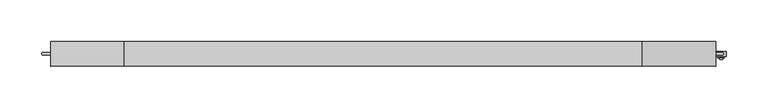
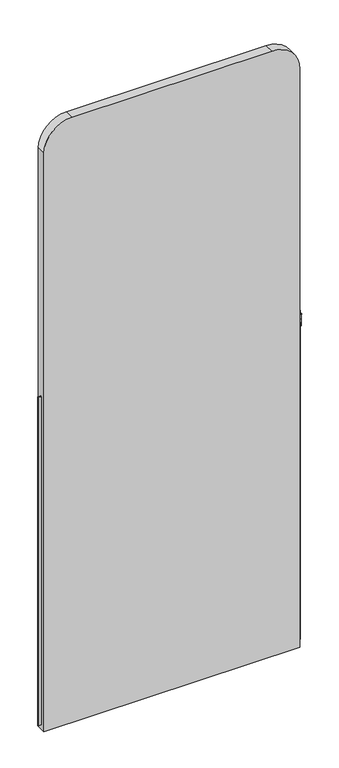
"""IFC4 building model written with IfcOpenShell, lengths in millimetres: furniture geometry."""

from ifc_helpers import new_model, si_unit, point, frame, frame_2d, origin, place, context, project, spatial, polyline, circle_curve, trimmed, segment, composite_curve, outline, extrude, source, transform, mapped, element, save
from ifc_brep_helpers import plane_surface, cylinder_surface, revolved_surface, advanced_brep


def furniture_e244c277(model_context):
    return source(origin(), model_context, "Body", "SolidModel", [
        extrude(outline(composite_curve([segment(polyline([(770.5267621, 45.3925781), (762.8932891, 45.3925781)]), True, "CONTINUOUS"), segment(trimmed(circle_curve(frame_2d((762.8932891, 46.9801212)), 1.5875431), [point((762.8932891, 45.3925781))], [point((762.0995175, 45.6052685))], False, "CARTESIAN"), True, "CONTINUOUS"), segment(trimmed(circle_curve(frame_2d((761.3058479, 46.9801212)), 1.5874921), [point((762.0995175, 45.6052685))], [point((762.0995175, 48.3549738))], False, "CARTESIAN"), True, "CONTINUOUS"), segment(trimmed(circle_curve(frame_2d((762.8932891, 46.9794781)), 1.5881), [point((762.0995175, 48.3549738))], [point((762.8932891, 48.5675782))], False, "CARTESIAN"), True, "CONTINUOUS"), segment(polyline([(762.8932891, 48.5675782), (770.5267621, 48.5675782), (770.5267621, 45.3925781)]), True, "CONTINUOUS")], self_intersect=False)), frame((0.0, 0.0, 14.9999997), z_axis=(0.0, 0.0, 1.0), x_axis=(1.0, 0.0, 0.0)), (0.0, 0.0, 1.0), 1085.0382816),
        extrude(outline(composite_curve([segment(polyline([(1568.9732363, 45.3925781), (1568.9732363, 48.5675782), (1576.6067094, 48.5675782)]), True, "CONTINUOUS"), segment(trimmed(circle_curve(frame_2d((1576.6067094, 46.9794781)), 1.5881), [point((1576.6067094, 48.5675782))], [point((1577.4004809, 48.3549738))], False, "CARTESIAN"), True, "CONTINUOUS"), segment(trimmed(circle_curve(frame_2d((1578.1941505, 46.9801212)), 1.5874921), [point((1577.4004809, 48.3549738))], [point((1577.4004809, 45.6052685))], False, "CARTESIAN"), True, "CONTINUOUS"), segment(trimmed(circle_curve(frame_2d((1576.6067094, 46.9801212)), 1.5875431), [point((1577.4004809, 45.6052685))], [point((1576.6067094, 45.3925781))], False, "CARTESIAN"), True, "CONTINUOUS"), segment(polyline([(1576.6067094, 45.3925781), (1568.9732363, 45.3925781)]), True, "CONTINUOUS")], self_intersect=False)), frame((0.0, 0.0, 14.9999997), z_axis=(0.0, 0.0, 1.0), x_axis=(1.0, 0.0, 0.0)), (0.0, 0.0, 1.0), 1085.0382816),
        advanced_brep(
        [(1578.9084311, 39.995078, 1091.0971197), (1578.9084311, 39.995078, 1077.1731621), (1578.9084311, 42.1805846, 1077.1731621), (1578.9084311, 42.1805846, 1084.1582009), (1578.9084311, 43.556459, 1084.1582009), (1578.9084311, 43.556459, 1077.1731621), (1578.9084311, 43.805078, 1077.1731621), (1578.9084311, 43.805078, 1092.7684653), (1578.9084311, 43.805078, 1093.0482106), (1578.9084311, 41.9461688, 1093.0482106), (1575.1405713, 39.995078, 1091.0971197), (1575.1405713, 41.9461688, 1093.0482106), (1575.1405713, 43.805078, 1093.0482106), (1575.1405713, 43.805078, 1092.77998), (1575.1405713, 43.805078, 1077.1731621), (1575.1405713, 43.556459, 1077.1731621), (1575.1405713, 43.556459, 1084.1582009), (1575.1405713, 42.1805846, 1084.1582009), (1575.1405713, 42.1805846, 1077.1731621), (1575.1405713, 39.995078, 1077.1731621), (1573.8285844, 50.1550782, 1077.1731621), (1580.1786328, 50.1550782, 1077.1731621), (1580.1786328, 43.805078, 1077.1731621), (1573.8285844, 43.805078, 1077.1731621), (1573.7778607, 50.1550782, 1078.7299711), (1570.6261715, 50.1550782, 1089.0386821), (1583.3810457, 50.1550782, 1089.0386821), (1580.2293564, 50.1550782, 1078.7299711), (1580.2293564, 43.805078, 1078.7299711), (1583.3810457, 43.805078, 1089.0386821), (1570.6261715, 43.805078, 1089.0386821), (1573.7778607, 43.805078, 1078.7299711), (1580.841383, 43.556459, 1051.7731863), (1573.1658341, 43.556459, 1051.7731863), (1573.1658341, 43.556459, 1084.1582009), (1580.841383, 43.556459, 1084.1582009), (1579.1120555, 43.556459, 1053.3606621), (1578.282891, 43.556459, 1062.6385115), (1575.7243262, 43.556459, 1062.6385115), (1574.8951617, 43.556459, 1053.3606621), (1580.841383, 42.1805846, 1051.7731863), (1580.841383, 42.1805846, 1084.1582009), (1573.1658341, 42.1805846, 1084.1582009), (1573.1658341, 42.1805846, 1051.7731863), (1579.1120555, 42.1805846, 1053.3606621), (1574.8951617, 42.1805846, 1053.3606621), (1575.7243262, 42.1805846, 1062.6385115), (1578.282891, 42.1805846, 1062.6385115)],
        [
            (0, 1),
            (1, 2),
            (2, 3),
            (3, 4),
            (4, 5),
            (5, 6),
            (6, 7),
            (7, 8),
            (8, 9),
            (9, 0, circle_curve(frame((1578.9084311, 41.9461688, 1091.0971197), z_axis=(1.0, 0.0, 0.0), x_axis=(0.0, 1.0, 0.0)), 1.9510909)),
            (10, 11, circle_curve(frame((1575.1405713, 41.9461688, 1091.0971197), z_axis=(-1.0, 0.0, 0.0), x_axis=(0.0, 1.0, 0.0)), 1.9510909)),
            (11, 12),
            (12, 13),
            (13, 14),
            (14, 15),
            (15, 16),
            (16, 17),
            (17, 18),
            (18, 19),
            (19, 10),
            (0, 10),
            (19, 1),
            (18, 2),
            (20, 21),
            (21, 22),
            (22, 6),
            (5, 15),
            (14, 23),
            (23, 20),
            (9, 11),
            (20, 24),
            (24, 25, circle_curve(frame((1553.1439135, 50.1550782, 1078.0576799), z_axis=(0.0, -1.0, 0.0), x_axis=(-1.0, 0.0, 0.0)), 20.6448966)),
            (25, 26, circle_curve(frame((1577.0036086, 50.1550782, 1085.937688), z_axis=(0.0, 1.0, 0.0), x_axis=(-1.0, 0.0, 0.0)), 7.091394)),
            (26, 27, circle_curve(frame((1600.8633037, 50.1550782, 1078.0576799), z_axis=(0.0, -1.0, 0.0), x_axis=(-1.0, 0.0, 0.0)), 20.6448966)),
            (27, 21),
            (22, 28),
            (28, 29, circle_curve(frame((1600.8633037, 43.805078, 1078.0576799), z_axis=(0.0, 1.0, 0.0), x_axis=(-1.0, 0.0, 0.0)), 20.6448966)),
            (29, 7, circle_curve(frame((1577.0036086, 43.805078, 1085.937688), z_axis=(0.0, -1.0, 0.0), x_axis=(-1.0, 0.0, 0.0)), 7.091394)),
            (30, 31, circle_curve(frame((1553.1439135, 43.805078, 1078.0576799), z_axis=(0.0, 1.0, 0.0), x_axis=(-1.0, 0.0, 0.0)), 20.6448966)),
            (31, 23),
            (13, 30, circle_curve(frame((1577.0036086, 43.805078, 1085.937688), z_axis=(0.0, -1.0, 0.0), x_axis=(-1.0, 0.0, 0.0)), 7.091394)),
            (31, 24),
            (30, 25),
            (13, 7, circle_curve(frame((1577.0036086, 43.805078, 1085.937688), z_axis=(0.0, 1.0, 0.0), x_axis=(-1.0, 0.0, 0.0)), 7.091394)),
            (29, 26),
            (28, 27),
            (32, 33),
            (33, 34),
            (34, 16),
            (4, 35),
            (35, 32),
            (36, 37),
            (37, 38),
            (38, 39),
            (39, 36),
            (40, 41),
            (41, 3),
            (17, 42),
            (42, 43),
            (43, 40),
            (44, 45),
            (45, 46),
            (46, 47),
            (47, 44),
            (32, 40),
            (43, 33),
            (42, 34),
            (41, 35),
            (36, 44),
            (47, 37),
            (46, 38),
            (45, 39),
            (12, 8),
        ],
        [
            plane_surface(frame((1578.9084311, 39.995078, 1077.1731621), z_axis=(1.0, 0.0, 0.0), x_axis=(0.0, 0.0, -1.0))),
            plane_surface(frame((1575.1405713, 39.995078, 1077.1731621), z_axis=(-1.0, 0.0, 0.0), x_axis=(0.0, 0.0, 1.0))),
            plane_surface(frame((1578.9084311, 39.995078, 1091.0971197), z_axis=(0.0, -1.0, 0.0), x_axis=(-1.0, 0.0, 0.0))),
            plane_surface(frame((1578.9084311, 39.995078, 1077.1731621), z_axis=(0.0, 0.0, -1.0), x_axis=(-1.0, 0.0, 0.0))),
            cylinder_surface(frame((1575.1405713, 41.9461688, 1091.0971197), z_axis=(1.0, 0.0, 0.0), x_axis=(0.0, 1.0, 0.0)), 1.9510909),
            plane_surface(frame((1573.8285844, 50.1550782, 1077.1731621), z_axis=(0.0, 1.0, 0.0), x_axis=(-1.0, 0.0, 0.0))),
            plane_surface(frame((1573.8285844, 43.805078, 1077.1731621), z_axis=(0.0, -1.0, 0.0), x_axis=(1.0, 0.0, 0.0))),
            plane_surface(frame((1573.8285844, 50.1550782, 1077.1731621), z_axis=(-0.9994696352331659, 0.0, -0.03256452436137249), x_axis=(0.0, -1.0, 0.0))),
            revolved_surface(polyline([(1532.4990169, 43.805078, 1078.0576799), (1532.4990169, 50.1550782, 1078.0576799)]), (1553.1439135, 43.805078, 1078.0576799), (0.0, -1.0, 0.0)),
            cylinder_surface(frame((1577.0036086, 43.805078, 1085.937688), z_axis=(0.0, 1.0, 0.0), x_axis=(-1.0, 0.0, 0.0)), 7.091394),
            revolved_surface(polyline([(1580.2184071, 43.805078, 1078.0576799), (1580.2184071, 50.1550782, 1078.0576799)]), (1600.8633037, 43.805078, 1078.0576799), (0.0, -1.0, 0.0)),
            plane_surface(frame((1580.2293564, 50.1550782, 1078.7299711), z_axis=(0.9994696352331701, 0.0, -0.032564524361244136), x_axis=(0.0, -1.0, 0.0))),
            plane_surface(frame((1580.841383, 43.556459, 1051.7731863), z_axis=(0.0, 1.0, 0.0), x_axis=(-1.0, 0.0, 0.0))),
            plane_surface(frame((1580.841383, 42.1805846, 1051.7731863), z_axis=(0.0, -1.0, 0.0), x_axis=(1.0, 0.0, 0.0))),
            plane_surface(frame((1580.841383, 43.556459, 1051.7731863), z_axis=(0.0, 0.0, -1.0), x_axis=(0.0, -1.0, 0.0))),
            plane_surface(frame((1573.1658341, 43.556459, 1051.7731863), z_axis=(-1.0, 0.0, 0.0), x_axis=(0.0, -1.0, 0.0))),
            plane_surface(frame((1573.1658341, 43.556459, 1084.1582009), z_axis=(0.0, 0.0, 1.0), x_axis=(0.0, -1.0, 0.0))),
            plane_surface(frame((1580.841383, 43.556459, 1084.1582009), z_axis=(1.0, 0.0, 0.0), x_axis=(0.0, -1.0, 0.0))),
            plane_surface(frame((1579.1120555, 43.556459, 1053.3606621), z_axis=(-0.99603023592217, 0.0, -0.08901555554410916), x_axis=(0.0, -1.0, 0.0))),
            plane_surface(frame((1578.282891, 43.556459, 1062.6385115), z_axis=(0.0, 0.0, -1.0), x_axis=(0.0, -1.0, 0.0))),
            plane_surface(frame((1575.7243262, 43.556459, 1062.6385115), z_axis=(0.99603023592217, 0.0, -0.08901555554410916), x_axis=(0.0, -1.0, 0.0))),
            plane_surface(frame((1574.8951617, 43.556459, 1053.3606621), z_axis=(0.0, 0.0, 1.0), x_axis=(0.0, -1.0, 0.0))),
            plane_surface(frame((1578.9084311, 43.805078, 1077.1731621), z_axis=(0.0, 1.0, 0.0), x_axis=(-1.0, 0.0, 0.0))),
            plane_surface(frame((1578.9084311, 43.805078, 1093.0482106), z_axis=(0.0, 0.0, 1.0), x_axis=(-1.0, 0.0, 0.0))),
        ],
        [
            (0, [[1, 2, 3, 4, 5, 6, 7, 8, 9, 10]]),
            (1, [[11, 12, 13, 14, 15, 16, 17, 18, 19, 20]]),
            (2, [[-1, 21, -20, 22]]),
            (3, [[-22, -19, 23, -2]]),
            (3, [[24, 25, 26, -6, 27, -15, 28, 29]]),
            (4, [[-10, 30, -11, -21]]),
            (5, [[-24, 31, 32, 33, 34, 35]]),
            (6, [[36, 37, 38, -7, -26]]),
            (6, [[39, 40, -28, -14, 41]]),
            (7, [[-31, -29, -40, 42]]),
            (8, [[-32, -42, -39, 43]]),
            (9, [[-33, -43, -41, 44, -38, 45]]),
            (10, [[-34, -45, -37, 46]]),
            (11, [[-35, -46, -36, -25]]),
            (12, [[47, 48, 49, -16, -27, -5, 50, 51], [52, 53, 54, 55]]),
            (13, [[56, 57, -3, -23, -18, 58, 59, 60], [61, 62, 63, 64]]),
            (14, [[-47, 65, -60, 66]]),
            (15, [[-48, -66, -59, 67]]),
            (16, [[-67, -58, -17, -49]]),
            (16, [[68, -50, -4, -57]]),
            (17, [[-51, -68, -56, -65]]),
            (18, [[-52, 69, -64, 70]]),
            (19, [[-53, -70, -63, 71]]),
            (20, [[-54, -71, -62, 72]]),
            (21, [[-55, -72, -61, -69]]),
            (22, [[73, -8, -44, -13]]),
            (23, [[-9, -73, -12, -30]]),
        ],
    ),
        extrude(outline(composite_curve([segment(polyline([(0.0, 770.5185539), (0.0, 1570.6185539), (1911.0523438, 1570.6185539)]), True, "CONTINUOUS"), segment(trimmed(circle_curve(frame_2d((1911.0523438, 1481.7185539)), 88.9), [point((1911.0523438, 1570.6185539))], [point((1999.9523438, 1481.7185539))], False, "CARTESIAN"), True, "CONTINUOUS"), segment(polyline([(1999.9523438, 1481.7185539), (1999.9523438, 859.4185539)]), True, "CONTINUOUS"), segment(trimmed(circle_curve(frame_2d((1911.0523438, 859.4185539)), 88.9), [point((1999.9523438, 859.4185539))], [point((1911.0523438, 770.5185539))], False, "CARTESIAN"), True, "CONTINUOUS"), segment(polyline([(1911.0523438, 770.5185539), (0.0, 770.5185539)]), True, "CONTINUOUS")], self_intersect=False)), frame((0.0, 31.9980469, 0.0), z_axis=(0.0, 1.0, 0.0), x_axis=(0.0, 0.0, 1.0)), (0.0, 0.0, 1.0), 29.9640625),
    ])


if __name__ == "__main__":
    model = new_model("IFC4")
    model_context = context("Model", 3, world=origin())
    ifc_project = project(units=[si_unit("LENGTHUNIT", "METRE", prefix="MILLI")], contexts=[model_context])
    site = spatial("IfcSite", under=ifc_project)
    building = spatial("IfcBuilding", under=site)
    placement = place(None, origin())
    furniture_shape = furniture_e244c277(model_context)
    element("IfcFurniture", 1, at=placement, inside=building, context=model_context, shape_type="MappedRepresentation", body=[
        mapped(furniture_shape, transform((0.0, 0.0, 0.0), x_axis=(1.0, 0.0, 0.0), y_axis=(0.0, 1.0, 0.0), z_axis=(0.0, 0.0, 1.0))),
    ])
    save(model, "model.ifc")
